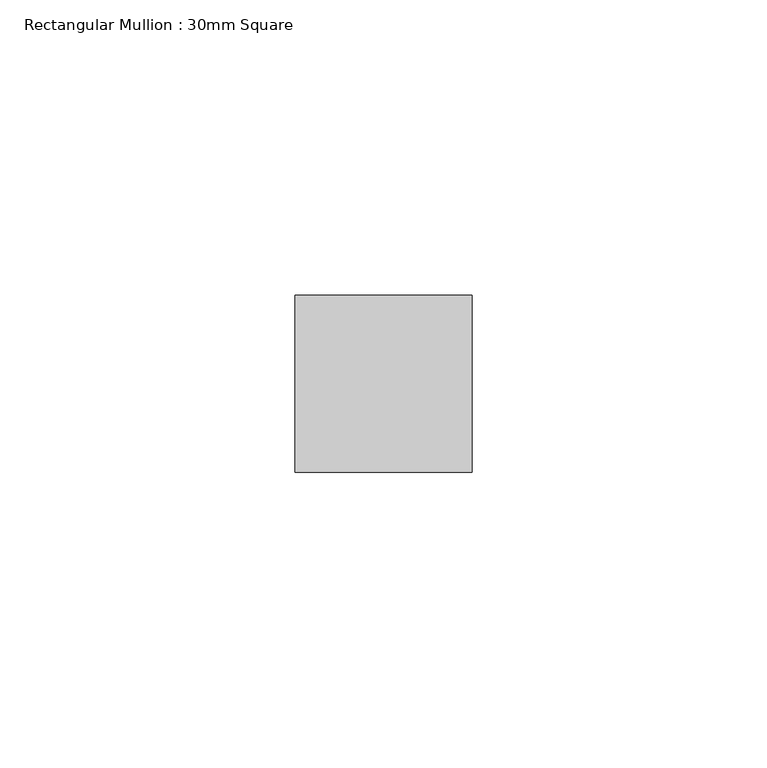
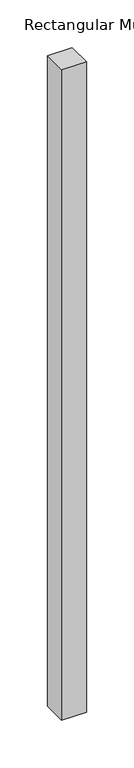
"""IFC4 building model written with IfcOpenShell, lengths in millimetres: member geometry, Rectangular Mullion : 30mm Square."""

from ifc_helpers import new_model, si_unit, frame, origin, place, context, project, spatial, polyline, outline, extrude, source, transform, mapped, element, save


def rectangular_mullion_30mm_square_615c6e60(model_context):
    return source(origin(), model_context, "Body", "SweptSolid", [
        extrude(outline(polyline([(15.0, 15.0), (15.0, -15.0), (-15.0, -15.0), (-15.0, 15.0), (15.0, 15.0)])), frame((0.0, 0.0, -835.0), z_axis=(0.0, 0.0, 1.0), x_axis=(1.0, 0.0, 0.0)), (0.0, 0.0, 1.0), 835.0),
    ])


if __name__ == "__main__":
    model = new_model("IFC4")
    model_context = context("Model", 3, world=origin())
    ifc_project = project(units=[si_unit("LENGTHUNIT", "METRE", prefix="MILLI")], contexts=[model_context])
    site = spatial("IfcSite", under=ifc_project)
    building = spatial("IfcBuilding", under=site)
    placement = place(None, origin())
    rectangular_mullion_30mm_square_shape = rectangular_mullion_30mm_square_615c6e60(model_context)
    element("IfcMember", 1, ObjectType="Rectangular Mullion : 30mm Square", at=placement, inside=building, context=model_context, shape_type="MappedRepresentation", body=[
        mapped(rectangular_mullion_30mm_square_shape, transform((0.0, 0.0, 0.0), x_axis=(1.0, 0.0, 0.0), y_axis=(0.0, 1.0, 0.0), z_axis=(0.0, 0.0, 1.0))),
    ])
    save(model, "model.ifc")
